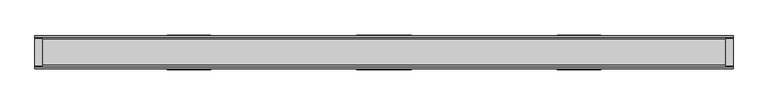
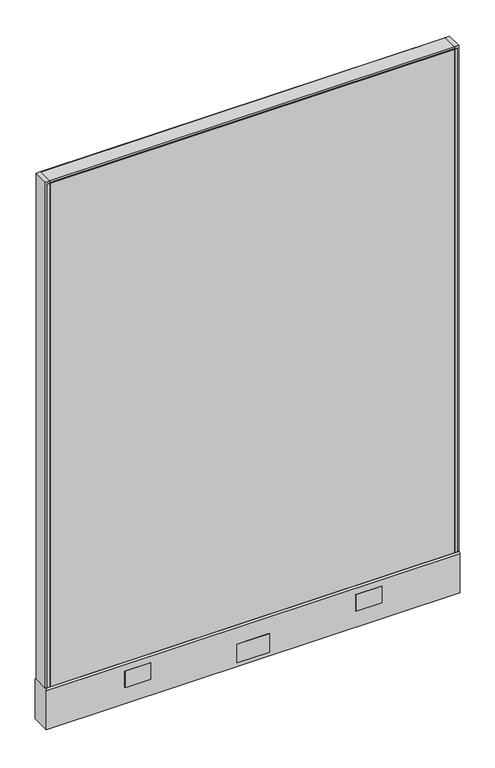
"""IFC4 building model written with IfcOpenShell, lengths in millimetres: furniture geometry."""

from ifc_helpers import new_model, si_unit, point, frame, frame_2d, origin, place, context, project, spatial, polyline, circle_curve, trimmed, segment, composite_curve, outline, extrude, source, transform, mapped, element, save
from ifc_brep_helpers import plane_surface, cylinder_surface, advanced_brep


def furniture_bb78e78d(model_context):
    return source(origin(), model_context, "Body", "SolidModel", [
        extrude(outline(polyline([(596.9, 25.4), (596.9, 0.0), (-596.9, 0.0), (-596.9, 25.4), (596.9, 25.4)])), frame((0.0, 0.0, 136.525), z_axis=(0.0, 0.0, 1.0), x_axis=(1.0, 0.0, 0.0)), (0.0, 0.0, 1.0), 1568.45),
        extrude(outline(polyline([(47.625, 28.575), (-47.625, 28.575), (-47.625, 30.1625), (47.625, 30.1625), (47.625, 28.575)])), frame((0.0, 0.0, 22.225), z_axis=(0.0, 0.0, 1.0), x_axis=(1.0, 0.0, 0.0)), (0.0, 0.0, 1.0), 57.15),
        extrude(outline(polyline([(47.625, -30.1625), (-47.625, -30.1625), (-47.625, -28.575), (47.625, -28.575), (47.625, -30.1625)])), frame((0.0, 0.0, 22.225), z_axis=(0.0, 0.0, 1.0), x_axis=(1.0, 0.0, 0.0)), (0.0, 0.0, 1.0), 57.15),
        advanced_brep(
        [(552.45, 0.0, 0.0), (577.85, 0.0, 0.0), (565.15, 0.0, 0.0), (552.45, 0.0, 4.7625), (577.85, 0.0, 4.7625), (558.8, 0.0, 4.7625), (571.5, 0.0, 4.7625), (558.8, 0.0, 111.125), (571.5, 0.0, 111.125), (565.15, 0.0, 111.125)],
        [
            (0, 1, circle_curve(frame((565.15, 0.0, 0.0), z_axis=(0.0, 0.0, -1.0), x_axis=(1.0, 0.0, 0.0)), 12.7)),
            (1, 2),
            (2, 0),
            (1, 0, circle_curve(frame((565.15, 0.0, 0.0), z_axis=(0.0, 0.0, -1.0), x_axis=(1.0, 0.0, 0.0)), 12.7)),
            (3, 4, circle_curve(frame((565.15, 0.0, 4.7625), z_axis=(0.0, 0.0, -1.0), x_axis=(1.0, 0.0, 0.0)), 12.7)),
            (4, 1),
            (0, 3),
            (4, 3, circle_curve(frame((565.15, 0.0, 4.7625), z_axis=(0.0, 0.0, -1.0), x_axis=(1.0, 0.0, 0.0)), 12.7)),
            (5, 6, circle_curve(frame((565.15, 0.0, 4.7625), z_axis=(0.0, 0.0, -1.0), x_axis=(1.0, 0.0, 0.0)), 6.35)),
            (6, 4),
            (3, 5),
            (6, 5, circle_curve(frame((565.15, 0.0, 4.7625), z_axis=(0.0, 0.0, -1.0), x_axis=(1.0, 0.0, 0.0)), 6.35)),
            (7, 8, circle_curve(frame((565.15, 0.0, 111.125), z_axis=(0.0, 0.0, -1.0), x_axis=(1.0, 0.0, 0.0)), 6.35)),
            (8, 6),
            (5, 7),
            (8, 7, circle_curve(frame((565.15, 0.0, 111.125), z_axis=(0.0, 0.0, -1.0), x_axis=(1.0, 0.0, 0.0)), 6.35)),
            (9, 8),
            (7, 9),
        ],
        [
            plane_surface(frame((565.15, 0.0, 0.0), z_axis=(0.0, 0.0, -1.0), x_axis=(1.0, 0.0, 0.0))),
            cylinder_surface(frame((565.15, 0.0, 114.882153), z_axis=(0.0, 0.0, 1.0), x_axis=(1.0, 0.0, 0.0)), 12.7),
            plane_surface(frame((565.15, 0.0, 4.7625), z_axis=(0.0, 0.0, 1.0), x_axis=(1.0, 0.0, 0.0))),
            cylinder_surface(frame((565.15, 0.0, 114.882153), z_axis=(0.0, 0.0, 1.0), x_axis=(1.0, 0.0, 0.0)), 6.35),
            plane_surface(frame((565.15, 0.0, 111.125), z_axis=(0.0, 0.0, 1.0), x_axis=(1.0, 0.0, 0.0))),
        ],
        [
            (0, [[1, 2, 3]]),
            (0, [[4, -3, -2]]),
            (1, [[5, 6, -1, 7]]),
            (1, [[8, -7, -4, -6]]),
            (2, [[9, 10, -5, 11]]),
            (2, [[12, -11, -8, -10]]),
            (3, [[13, 14, -9, 15]]),
            (3, [[16, -15, -12, -14]]),
            (4, [[17, -13, 18]]),
            (4, [[-18, -16, -17]]),
        ],
    ),
        advanced_brep(
        [(-577.85, 0.0, 4.7625), (-552.45, 0.0, 4.7625), (-552.45, 0.0, 0.0), (-577.85, 0.0, 0.0), (-571.5, 0.0, 4.7625), (-558.8, 0.0, 4.7625), (-571.5, 0.0, 111.125), (-558.8, 0.0, 111.125), (-565.15, 0.0, 111.125), (-565.15, 0.0, 0.0)],
        [
            (0, 1, circle_curve(frame((-565.15, 0.0, 4.7625), z_axis=(0.0, 0.0, -1.0), x_axis=(1.0, 0.0, 0.0)), 12.7)),
            (1, 2),
            (2, 3, circle_curve(frame((-565.15, 0.0, 0.0), z_axis=(0.0, 0.0, 1.0), x_axis=(1.0, 0.0, 0.0)), 12.7)),
            (3, 0),
            (1, 0, circle_curve(frame((-565.15, 0.0, 4.7625), z_axis=(0.0, 0.0, -1.0), x_axis=(1.0, 0.0, 0.0)), 12.7)),
            (3, 2, circle_curve(frame((-565.15, 0.0, 0.0), z_axis=(0.0, 0.0, 1.0), x_axis=(1.0, 0.0, 0.0)), 12.7)),
            (4, 5, circle_curve(frame((-565.15, 0.0, 4.7625), z_axis=(0.0, 0.0, -1.0), x_axis=(1.0, 0.0, 0.0)), 6.35)),
            (5, 1),
            (0, 4),
            (5, 4, circle_curve(frame((-565.15, 0.0, 4.7625), z_axis=(0.0, 0.0, -1.0), x_axis=(1.0, 0.0, 0.0)), 6.35)),
            (6, 7, circle_curve(frame((-565.15, 0.0, 111.125), z_axis=(0.0, 0.0, -1.0), x_axis=(1.0, 0.0, 0.0)), 6.35)),
            (7, 5),
            (4, 6),
            (7, 6, circle_curve(frame((-565.15, 0.0, 111.125), z_axis=(0.0, 0.0, -1.0), x_axis=(1.0, 0.0, 0.0)), 6.35)),
            (8, 7),
            (6, 8),
            (2, 9),
            (9, 3),
        ],
        [
            cylinder_surface(frame((-565.15, 0.0, 123.825), z_axis=(0.0, 0.0, 1.0), x_axis=(1.0, 0.0, 0.0)), 12.7),
            plane_surface(frame((-565.15, 0.0, 4.7625), z_axis=(0.0, 0.0, 1.0), x_axis=(1.0, 0.0, 0.0))),
            cylinder_surface(frame((-565.15, 0.0, 123.825), z_axis=(0.0, 0.0, 1.0), x_axis=(1.0, 0.0, 0.0)), 6.35),
            plane_surface(frame((-565.15, 0.0, 111.125), z_axis=(0.0, 0.0, 1.0), x_axis=(1.0, 0.0, 0.0))),
            plane_surface(frame((-565.15, 0.0, 0.0), z_axis=(0.0, 0.0, -1.0), x_axis=(1.0, 0.0, 0.0))),
        ],
        [
            (0, [[1, 2, 3, 4]]),
            (0, [[5, -4, 6, -2]]),
            (1, [[7, 8, -1, 9]]),
            (1, [[10, -9, -5, -8]]),
            (2, [[11, 12, -7, 13]]),
            (2, [[14, -13, -10, -12]]),
            (3, [[15, -11, 16]]),
            (3, [[-16, -14, -15]]),
            (4, [[-3, 17, 18]]),
            (4, [[-6, -18, -17]]),
        ],
    ),
        extrude(outline(polyline([(-609.6, 23.8125), (-596.9, 23.8125), (-596.9, -23.8125), (-609.6, -23.8125), (-609.6, 23.8125)])), frame((0.0, 0.0, 136.525), z_axis=(0.0, 0.0, 1.0), x_axis=(1.0, 0.0, 0.0)), (0.0, 0.0, 1.0), 1574.8),
        extrude(outline(polyline([(609.6, 23.8125), (609.6, -23.8125), (596.9, -23.8125), (596.9, 23.8125), (609.6, 23.8125)])), frame((0.0, 0.0, 136.525), z_axis=(0.0, 0.0, 1.0), x_axis=(1.0, 0.0, 0.0)), (0.0, 0.0, 1.0), 1574.8),
        extrude(outline(polyline([(-596.9, 25.4), (-596.9, 23.8125), (-604.8375, 23.8125), (-604.8375, 25.4), (-596.9, 25.4)])), frame((0.0, 0.0, 136.525), z_axis=(0.0, 0.0, 1.0), x_axis=(1.0, 0.0, 0.0)), (0.0, 0.0, 1.0), 1568.45),
        extrude(outline(polyline([(-596.9, -25.4), (-604.8375, -25.4), (-604.8375, -23.8125), (-596.9, -23.8125), (-596.9, -25.4)])), frame((0.0, 0.0, 136.525), z_axis=(0.0, 0.0, 1.0), x_axis=(1.0, 0.0, 0.0)), (0.0, 0.0, 1.0), 1568.45),
        extrude(outline(polyline([(604.8375, 25.4), (604.8375, 23.8125), (596.9, 23.8125), (596.9, 25.4), (604.8375, 25.4)])), frame((0.0, 0.0, 136.525), z_axis=(0.0, 0.0, 1.0), x_axis=(1.0, 0.0, 0.0)), (0.0, 0.0, 1.0), 1568.45),
        extrude(outline(polyline([(596.9, -23.8125), (604.8375, -23.8125), (604.8375, -25.4), (596.9, -25.4), (596.9, -23.8125)])), frame((0.0, 0.0, 136.525), z_axis=(0.0, 0.0, 1.0), x_axis=(1.0, 0.0, 0.0)), (0.0, 0.0, 1.0), 1568.45),
        extrude(outline(composite_curve([segment(trimmed(circle_curve(frame_2d((22.225, 1708.15)), 3.175), [point((22.225, 1711.325))], [point((25.4, 1708.15))], False, "CARTESIAN"), True, "CONTINUOUS"), segment(polyline([(25.4, 1708.15), (25.4, 1704.975), (-25.4, 1704.975), (-25.4, 1708.15)]), True, "CONTINUOUS"), segment(trimmed(circle_curve(frame_2d((-22.225, 1708.15)), 3.175), [point((-25.4, 1708.15))], [point((-22.225, 1711.325))], False, "CARTESIAN"), True, "CONTINUOUS"), segment(polyline([(-22.225, 1711.325), (22.225, 1711.325)]), True, "CONTINUOUS")], self_intersect=False)), frame((-596.9, 0.0, 0.0), z_axis=(1.0, 0.0, 0.0), x_axis=(0.0, 1.0, 0.0)), (0.0, 0.0, 1.0), 1193.8),
        extrude(outline(polyline([(378.714, 30.1625), (378.714, 28.575), (302.406184, 28.575), (302.406184, 30.1625), (378.714, 30.1625)])), frame((0.0, 0.0, 60.325), z_axis=(0.0, 0.0, 1.0), x_axis=(1.0, 0.0, 0.0)), (0.0, 0.0, 1.0), 50.8),
        extrude(outline(polyline([(-302.406184, 30.1625), (-302.406184, 28.575), (-378.714, 28.575), (-378.714, 30.1625), (-302.406184, 30.1625)])), frame((0.0, 0.0, 60.325), z_axis=(0.0, 0.0, 1.0), x_axis=(1.0, 0.0, 0.0)), (0.0, 0.0, 1.0), 50.8),
        extrude(outline(polyline([(378.714, -28.575), (378.714, -30.1625), (302.406184, -30.1625), (302.406184, -28.575), (378.714, -28.575)])), frame((0.0, 0.0, 60.325), z_axis=(0.0, 0.0, 1.0), x_axis=(1.0, 0.0, 0.0)), (0.0, 0.0, 1.0), 50.8),
        extrude(outline(polyline([(-302.406184, -28.575), (-302.406184, -30.1625), (-378.714, -30.1625), (-378.714, -28.575), (-302.406184, -28.575)])), frame((0.0, 0.0, 60.325), z_axis=(0.0, 0.0, 1.0), x_axis=(1.0, 0.0, 0.0)), (0.0, 0.0, 1.0), 50.8),
        extrude(outline(composite_curve([segment(trimmed(circle_curve(frame_2d((20.6375, 130.175)), 7.9375), [point((25.4, 136.525))], [point((28.575, 130.175))], False, "CARTESIAN"), True, "CONTINUOUS"), segment(polyline([(28.575, 130.175), (28.575, 9.525), (-28.575, 9.525), (-28.575, 130.175)]), True, "CONTINUOUS"), segment(trimmed(circle_curve(frame_2d((-20.6375, 130.175)), 7.9375), [point((-28.575, 130.175))], [point((-25.4, 136.525))], False, "CARTESIAN"), True, "CONTINUOUS"), segment(polyline([(-25.4, 136.525), (25.4, 136.525)]), True, "CONTINUOUS")], self_intersect=False)), frame((-609.6, 0.0, 0.0), z_axis=(1.0, 0.0, 0.0), x_axis=(0.0, 1.0, 0.0)), (0.0, 0.0, 1.0), 1219.2),
        extrude(outline(polyline([(596.9, 0.0), (596.9, -25.4), (-596.9, -25.4), (-596.9, 0.0), (596.9, 0.0)])), frame((0.0, 0.0, 136.525), z_axis=(0.0, 0.0, 1.0), x_axis=(1.0, 0.0, 0.0)), (0.0, 0.0, 1.0), 1568.45),
    ])


if __name__ == "__main__":
    model = new_model("IFC4")
    model_context = context("Model", 3, world=origin())
    ifc_project = project(units=[si_unit("LENGTHUNIT", "METRE", prefix="MILLI")], contexts=[model_context])
    site = spatial("IfcSite", under=ifc_project)
    building = spatial("IfcBuilding", under=site)
    placement = place(None, origin())
    furniture_shape = furniture_bb78e78d(model_context)
    element("IfcFurniture", 1, at=placement, inside=building, context=model_context, shape_type="MappedRepresentation", body=[
        mapped(furniture_shape, transform((0.0, 0.0, 0.0), x_axis=(1.0, 0.0, 0.0), y_axis=(0.0, 1.0, 0.0), z_axis=(0.0, 0.0, 1.0))),
    ])
    save(model, "model.ifc")
